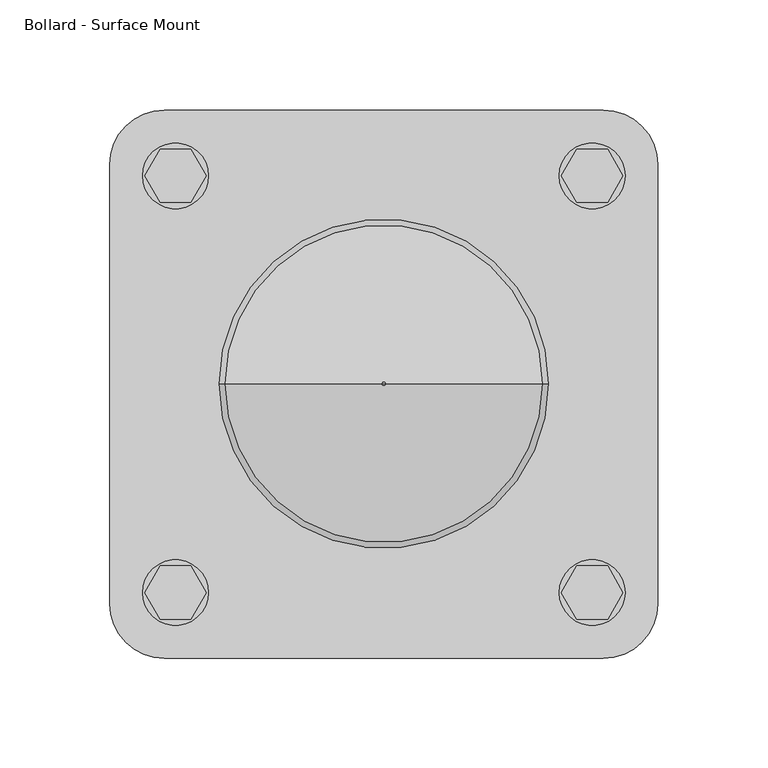
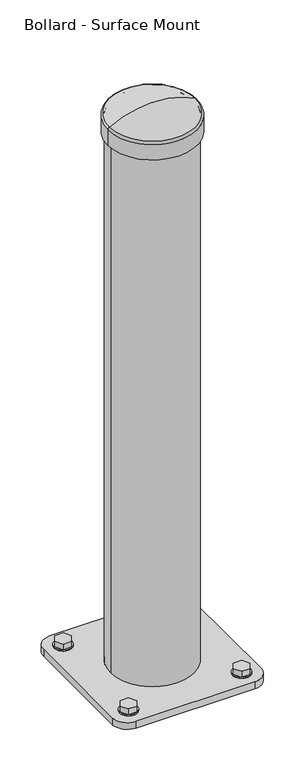
"""IFC4 building model written with IfcOpenShell, lengths in millimetres: proxy geometry, Bollard - Surface Mount."""

import ifcopenshell
import ifcopenshell.guid

model = None  # the IFC model being written
_history = None  # IfcOwnerHistory: only IFC2X3 demands one
_inside = {}  # id of a spatial element -> (the spatial element, [elements in it])
_under = {}  # id of a project, library or spatial element -> (it, [spatial elements below it])
_declared = {}  # id of a project -> (the project, [libraries it declares])
_typed = {}  # id of a type object -> (the type object, [elements of that type])
_made_of = {}  # id of a material, layer set ... -> (it, [elements and type objects made of it])


def new_model(schema):
    """Start an empty IFC model of exactly this schema.

    Asked for "IFC4X3", IfcOpenShell would pick the latest addendum, in which some entities
    have other attributes; the version numbers below select the first issue.
    IFC2X3 requires an IfcOwnerHistory on every rooted entity: one is made here for all.
    """
    global model, _history
    if schema == "IFC4X3":
        model = ifcopenshell.file(schema_version=(4, 3, 0, 0))
    else:
        model = ifcopenshell.file(schema=schema)
    _inside.clear()
    _under.clear()
    _declared.clear()
    _typed.clear()
    _made_of.clear()
    _history = None
    if model.schema == "IFC2X3":
        org = make("IfcOrganization", Name="unknown")
        user = make(
            "IfcPersonAndOrganization",
            ThePerson=make("IfcPerson", FamilyName="unknown"),
            TheOrganization=org,
        )
        app = make(
            "IfcApplication",
            ApplicationDeveloper=org,
            Version="unknown",
            ApplicationFullName="unknown",
            ApplicationIdentifier="unknown",
        )
        _history = make(
            "IfcOwnerHistory",
            OwningUser=user,
            OwningApplication=app,
            ChangeAction="ADDED",
            CreationDate=0,
        )
    return model


def make(cls, **values):
    """One entity of the class cls with the attributes given. An attribute that is None is left unset."""
    return model.create_entity(
        cls, **{name: value for name, value in values.items() if value is not None}
    )


def rooted(cls, **values):
    """An entity with a GlobalId (a new one), such as an element, a storey or a relation."""
    return make(cls, GlobalId=ifcopenshell.guid.new(), OwnerHistory=_history, **values)


def si_unit(unit_type, name, prefix=None):
    """IfcSIUnit, for example si_unit("LENGTHUNIT", "METRE", prefix="MILLI")."""
    return make("IfcSIUnit", UnitType=unit_type, Prefix=prefix, Name=name)


def assignment(units):
    """IfcUnitAssignment: the units of a project."""
    return None if units is None else make("IfcUnitAssignment", Units=units)


def point(xyz):
    """IfcCartesianPoint."""
    return None if xyz is None else make("IfcCartesianPoint", Coordinates=xyz)


def direction(xyz):
    """IfcDirection."""
    return None if xyz is None else make("IfcDirection", DirectionRatios=xyz)


def frame(location, z_axis=None, x_axis=None):
    """IfcAxis2Placement3D, a coordinate frame: its origin and axes. An axis left out is left unset."""
    return make(
        "IfcAxis2Placement3D",
        Location=point(location),
        Axis=direction(z_axis),
        RefDirection=direction(x_axis),
    )


def frame_2d(location, x_axis=None):
    """IfcAxis2Placement2D, a coordinate frame in the plane: its origin and x axis."""
    return make(
        "IfcAxis2Placement2D", Location=point(location), RefDirection=direction(x_axis)
    )


def origin():
    """The frame at (0, 0, 0) with its axes left unset."""
    return frame((0.0, 0.0, 0.0))


def origin_with_axes():
    """The frame at (0, 0, 0) with the z axis (0, 0, 1) and the x axis (1, 0, 0) written out."""
    return frame((0.0, 0.0, 0.0), z_axis=(0.0, 0.0, 1.0), x_axis=(1.0, 0.0, 0.0))


def origin_2d():
    """The frame at (0, 0) in the plane with its x axis left unset."""
    return frame_2d((0.0, 0.0))


def place(relative_to, where):
    """IfcLocalPlacement: puts the frame where relative to a parent placement (None: the world)."""
    return make(
        "IfcLocalPlacement", PlacementRelTo=relative_to, RelativePlacement=where
    )


def context(
    kind, dimensions, precision=None, world=None, true_north=None, identifier=None
):
    """IfcGeometricRepresentationContext, for example the 3D "Model" context."""
    return make(
        "IfcGeometricRepresentationContext",
        ContextIdentifier=identifier,
        ContextType=kind,
        CoordinateSpaceDimension=dimensions,
        Precision=precision,
        WorldCoordinateSystem=world,
        TrueNorth=true_north,
    )


def project(units=None, contexts=None):
    """IfcProject with its units and contexts."""
    return rooted(
        "IfcProject",
        Name="project",
        RepresentationContexts=contexts,
        UnitsInContext=assignment(units),
    )


def spatial(cls, under=None, at=None, **own):
    """A site, building, storey or space (cls), placed at a placement, below another one or the project."""
    s = rooted(cls, ObjectPlacement=at, **own)
    if under is not None:
        _under.setdefault(under.id(), (under, []))[1].append(s)
    return s


def polyline(points):
    """IfcPolyline through the points."""
    return make("IfcPolyline", Points=[point(p) for p in points])


def circle_curve(where, radius):
    """IfcCircle in the frame where."""
    return make("IfcCircle", Position=where, Radius=radius)


def ellipse_curve(where, semi_axis1, semi_axis2):
    """IfcEllipse in the frame where."""
    return make(
        "IfcEllipse", Position=where, SemiAxis1=semi_axis1, SemiAxis2=semi_axis2
    )


def trimmed(basis, trim1, trim2, sense, master):
    """IfcTrimmedCurve: the piece of a basis curve between two trims."""
    return make(
        "IfcTrimmedCurve",
        BasisCurve=basis,
        Trim1=trim1,
        Trim2=trim2,
        SenseAgreement=sense,
        MasterRepresentation=master,
    )


def segment(curve, same_sense, transition):
    """IfcCompositeCurveSegment."""
    return make(
        "IfcCompositeCurveSegment",
        Transition=transition,
        SameSense=same_sense,
        ParentCurve=curve,
    )


def composite_curve(segments, self_intersect=None):
    """IfcCompositeCurve: segments joined end to end."""
    return make("IfcCompositeCurve", Segments=segments, SelfIntersect=self_intersect)


def outline(outer, holes=None, kind="AREA"):
    """IfcArbitraryClosedProfileDef: a profile drawn as a closed curve; with holes, ...WithVoids."""
    if holes is None:
        return make("IfcArbitraryClosedProfileDef", ProfileType=kind, OuterCurve=outer)
    return make(
        "IfcArbitraryProfileDefWithVoids",
        ProfileType=kind,
        OuterCurve=outer,
        InnerCurves=holes,
    )


def extrude(swept, where, along, depth):
    """IfcExtrudedAreaSolid: the profile swept, set in the frame where, extruded along a direction by depth."""
    return make(
        "IfcExtrudedAreaSolid",
        SweptArea=swept,
        Position=where,
        ExtrudedDirection=direction(along),
        Depth=depth,
    )


def shape(context_of_items, identifier, shape_type, items):
    """IfcShapeRepresentation: the items that make up one representation, for example the "Body"."""
    return make(
        "IfcShapeRepresentation",
        ContextOfItems=context_of_items,
        RepresentationIdentifier=identifier,
        RepresentationType=shape_type,
        Items=items,
    )


def source(mapping_origin, context_of_items, identifier, shape_type, items):
    """IfcRepresentationMap: a shape defined once, which mapped items show again and again."""
    return make(
        "IfcRepresentationMap",
        MappingOrigin=mapping_origin,
        MappedRepresentation=shape(context_of_items, identifier, shape_type, items),
    )


def transform(
    local_origin,
    x_axis=None,
    y_axis=None,
    z_axis=None,
    scale=None,
    scale2=None,
    scale3=None,
    uniform=True,
):
    """IfcCartesianTransformationOperator3D, or its non-uniform kind. x_axis, y_axis, z_axis: its Axis1, 2, 3."""
    if uniform:
        return make(
            "IfcCartesianTransformationOperator3D",
            Axis1=direction(x_axis),
            Axis2=direction(y_axis),
            LocalOrigin=point(local_origin),
            Scale=scale,
            Axis3=direction(z_axis),
        )
    return make(
        "IfcCartesianTransformationOperator3DnonUniform",
        Axis1=direction(x_axis),
        Axis2=direction(y_axis),
        LocalOrigin=point(local_origin),
        Scale=scale,
        Axis3=direction(z_axis),
        Scale2=scale2,
        Scale3=scale3,
    )


def mapped(mapping_source, mapping_target):
    """IfcMappedItem: shows the shape of a source again, moved by a transform."""
    return make(
        "IfcMappedItem", MappingSource=mapping_source, MappingTarget=mapping_target
    )


def made_of(thing, what):
    """Note that an element or type object is made of a material, layer set ...; save() writes the relation."""
    if what is not None:
        _made_of.setdefault(what.id(), (what, []))[1].append(thing)
    return thing


def element(
    cls,
    number,
    at=None,
    inside=None,
    cuts=None,
    type_object=None,
    material=None,
    context=None,
    identifier="Body",
    shape_type=None,
    held_by="IfcProductDefinitionShape",
    body=None,
    shapes=None,
    **own,
):
    """One element of the class cls, such as IfcWall. Its Tag is "e" and its number.

    at: its placement. inside: the storey or other place that contains it. cuts: it is an
    opening in that element (IfcRelVoidsElement). A single representation is given by context,
    identifier, shape_type and body (its items); several are given by shapes. held_by: the class
    of the entity that holds the representations. save() writes the other relations.
    """
    e = rooted(cls, Tag="e%d" % number, ObjectPlacement=at, **own)
    if body is not None:
        shapes = [shape(context, identifier, shape_type, body)]
    if shapes is not None:
        e.Representation = make(held_by, Representations=shapes)
    if inside is not None:
        _inside.setdefault(inside.id(), (inside, []))[1].append(e)
    if cuts is not None:
        rooted(
            "IfcRelVoidsElement", RelatingBuildingElement=cuts, RelatedOpeningElement=e
        )
    if type_object is not None:
        _typed.setdefault(type_object.id(), (type_object, []))[1].append(e)
    return made_of(e, material)


def aggregate(whole, parts):
    """IfcRelAggregates: a whole, such as a stair, and the parts it consists of."""
    return rooted("IfcRelAggregates", RelatingObject=whole, RelatedObjects=parts)


def save(model, path):
    """Write the relations noted so far, then the file.

    IfcRelAggregates (storeys below a building ...), IfcRelContainedInSpatialStructure (elements
    in a storey), IfcRelDefinesByType, IfcRelAssociatesMaterial and IfcRelDeclares: one each for
    every whole, place, type object, material and project.
    """
    for whole, parts in _under.values():
        aggregate(whole, parts)
    for where, things in _inside.values():
        rooted(
            "IfcRelContainedInSpatialStructure",
            RelatedElements=things,
            RelatingStructure=where,
        )
    for kind, things in _typed.values():
        rooted("IfcRelDefinesByType", RelatedObjects=things, RelatingType=kind)
    for what, things in _made_of.values():
        rooted("IfcRelAssociatesMaterial", RelatedObjects=things, RelatingMaterial=what)
    for by, libraries in _declared.values():
        rooted("IfcRelDeclares", RelatingContext=by, RelatedDefinitions=libraries)
    model.write(path)


def plane_surface(at):
    """IfcPlane: the flat surface through the origin of the frame at, square to its z axis."""
    return make("IfcPlane", Position=at)


def cylinder_surface(at, radius):
    """IfcCylindricalSurface: all points at the distance radius from the z axis of the frame at."""
    return make("IfcCylindricalSurface", Position=at, Radius=radius)


def revolved_surface(curve, axis_point, axis_direction):
    """IfcSurfaceOfRevolution: the curve turned about the line through axis_point along axis_direction."""
    return make(
        "IfcSurfaceOfRevolution",
        SweptCurve=make("IfcArbitraryOpenProfileDef", ProfileType="CURVE", Curve=curve),
        AxisPosition=make("IfcAxis1Placement", Location=point(axis_point), Axis=direction(axis_direction)),
    )


def advanced_brep(points, edges, surfaces, faces):
    """IfcAdvancedBrep: a solid bounded by faces that lie on surfaces and meet in shared edges.

    An edge is (start, end): straight between two places in points (the first is 0);
    or (start, end, curve); or (start, end, curve, False) where it runs against its curve.
    A face is (place in surfaces, loops), or (place, loops, False) where it looks against
    its surface's normal. A loop lists edges by number (the first is 1), with a minus sign
    where the edge is run from its end to its start. The first loop is the outer one.
    """
    corners = [point(p) for p in points]
    vertices = [make("IfcVertexPoint", VertexGeometry=c) for c in corners]
    made = []
    for start, end, *more in edges:
        made.append(
            make(
                "IfcEdgeCurve",
                EdgeStart=vertices[start],
                EdgeEnd=vertices[end],
                EdgeGeometry=more[0] if more else make("IfcPolyline", Points=[corners[start], corners[end]]),
                SameSense=more[1] if len(more) > 1 else True,
            )
        )
    hull = []
    for where, loops, *sense in faces:
        bounds = []
        for j, loop in enumerate(loops):
            ring = [make("IfcOrientedEdge", EdgeElement=made[abs(k) - 1], Orientation=k > 0) for k in loop]
            bounds.append(
                make(
                    "IfcFaceOuterBound" if j == 0 else "IfcFaceBound",
                    Bound=make("IfcEdgeLoop", EdgeList=ring),
                    Orientation=True,
                )
            )
        hull.append(make("IfcAdvancedFace", Bounds=bounds, FaceSurface=surfaces[where], SameSense=sense[0] if sense else True))
    return make("IfcAdvancedBrep", Outer=make("IfcClosedShell", CfsFaces=hull))


def bollard_surface_mount_4a7b3c5d(model_context):
    return source(origin(), model_context, "Body", "SolidModel", [
        advanced_brep(
        [(102.0, -82.8756443, 24.0), (88.0, -82.8756443, 24.0), (81.0, -95.0, 24.0), (88.0, -107.1243557, 24.0), (102.0, -107.1243557, 24.0), (109.0, -95.0, 24.0), (102.0, -82.8756443, 14.0), (109.0, -95.0, 14.0), (102.0, -107.1243557, 14.0), (88.0, -107.1243557, 14.0), (81.0, -95.0, 14.0), (88.0, -82.8756443, 14.0), (85.0, -95.0, 14.0), (105.0, -95.0, 14.0), (85.0, -95.0, 0.0), (105.0, -95.0, 0.0)],
        [
            (0, 1),
            (1, 2),
            (2, 3),
            (3, 4),
            (4, 5),
            (5, 0),
            (6, 7),
            (7, 8),
            (8, 9),
            (9, 10),
            (10, 11),
            (11, 6),
            (12, 13, circle_curve(frame((95.0, -95.0, 14.0), z_axis=(0.0, 0.0, 1.0), x_axis=(1.0, 0.0, 0.0)), 10.0)),
            (13, 12, circle_curve(frame((95.0, -95.0, 14.0), z_axis=(0.0, 0.0, 1.0), x_axis=(1.0, 0.0, 0.0)), 10.0)),
            (0, 6),
            (11, 1),
            (10, 2),
            (9, 3),
            (8, 4),
            (7, 5),
            (14, 15, circle_curve(frame((95.0, -95.0, 0.0), z_axis=(0.0, 0.0, -1.0), x_axis=(1.0, 0.0, 0.0)), 10.0)),
            (15, 14, circle_curve(frame((95.0, -95.0, 0.0), z_axis=(0.0, 0.0, -1.0), x_axis=(1.0, 0.0, 0.0)), 10.0)),
            (15, 13),
            (12, 14),
        ],
        [
            plane_surface(frame((102.0, -82.8756443, 24.0), z_axis=(0.0, 0.0, 1.0), x_axis=(-1.0, 0.0, 0.0))),
            plane_surface(frame((102.0, -82.8756443, 14.0), z_axis=(0.0, 0.0, -1.0), x_axis=(1.0, 0.0, 0.0))),
            plane_surface(frame((102.0, -82.8756443, 24.0), z_axis=(0.0, 1.0, 0.0), x_axis=(0.0, 0.0, -1.0))),
            plane_surface(frame((88.0, -82.8756443, 24.0), z_axis=(-0.8660254037844334, 0.5000000000000092, 0.0), x_axis=(0.0, 0.0, -1.0))),
            plane_surface(frame((81.0, -95.0, 24.0), z_axis=(-0.8660254037844447, -0.4999999999999897, 0.0), x_axis=(0.0, 0.0, -1.0))),
            plane_surface(frame((88.0, -107.1243557, 24.0), z_axis=(0.0, -1.0, 0.0), x_axis=(0.0, 0.0, -1.0))),
            plane_surface(frame((102.0, -107.1243557, 24.0), z_axis=(0.8660254037844315, -0.5000000000000124, 0.0), x_axis=(0.0, 0.0, -1.0))),
            plane_surface(frame((109.0, -95.0, 24.0), z_axis=(0.8660254037844434, 0.49999999999999184, 0.0), x_axis=(0.0, 0.0, -1.0))),
            plane_surface(frame((105.0, -95.0, 0.0), z_axis=(0.0, 0.0, -1.0), x_axis=(0.0, -1.0, 0.0))),
            cylinder_surface(frame((95.0, -95.0, 0.0), z_axis=(0.0, 0.0, 1.0), x_axis=(1.0, 0.0, 0.0)), 10.0),
        ],
        [
            (0, [[1, 2, 3, 4, 5, 6]]),
            (1, [[7, 8, 9, 10, 11, 12], [13, 14]]),
            (2, [[-1, 15, -12, 16]]),
            (3, [[-2, -16, -11, 17]]),
            (4, [[-3, -17, -10, 18]]),
            (5, [[-4, -18, -9, 19]]),
            (6, [[-5, -19, -8, 20]]),
            (7, [[-6, -20, -7, -15]]),
            (8, [[21, 22]]),
            (9, [[-22, 23, -13, 24]]),
            (9, [[-21, -24, -14, -23]]),
        ],
    ),
        extrude(outline(composite_curve([segment(trimmed(circle_curve(frame_2d((95.0, -95.0)), 15.0), [point((80.0, -95.0))], [point((110.0, -95.0))], False, "CARTESIAN"), True, "CONTINUOUS"), segment(trimmed(circle_curve(frame_2d((95.0, -95.0)), 15.0), [point((110.0, -95.0))], [point((80.0, -95.0))], False, "CARTESIAN"), True, "CONTINUOUS")], self_intersect=False)), frame((0.0, 0.0, 12.0), z_axis=(0.0, 0.0, 1.0), x_axis=(1.0, 0.0, 0.0)), (0.0, 0.0, 1.0), 2.0),
        advanced_brep(
        [(102.0, 107.1243557, 24.0), (88.0, 107.1243557, 24.0), (81.0, 95.0, 24.0), (88.0, 82.8756443, 24.0), (102.0, 82.8756443, 24.0), (109.0, 95.0, 24.0), (85.0, 95.0, 0.0), (105.0, 95.0, 0.0), (105.0, 95.0, 14.0), (85.0, 95.0, 14.0), (102.0, 107.1243557, 14.0), (109.0, 95.0, 14.0), (102.0, 82.8756443, 14.0), (88.0, 82.8756443, 14.0), (81.0, 95.0, 14.0), (88.0, 107.1243557, 14.0)],
        [
            (0, 1),
            (1, 2),
            (2, 3),
            (3, 4),
            (4, 5),
            (5, 0),
            (6, 7, circle_curve(frame((95.0, 95.0, 0.0), z_axis=(0.0, 0.0, -1.0), x_axis=(1.0, 0.0, 0.0)), 10.0)),
            (7, 6, circle_curve(frame((95.0, 95.0, 0.0), z_axis=(0.0, 0.0, -1.0), x_axis=(1.0, 0.0, 0.0)), 10.0)),
            (7, 8),
            (8, 9, circle_curve(frame((95.0, 95.0, 14.0), z_axis=(0.0, 0.0, -1.0), x_axis=(1.0, 0.0, 0.0)), 10.0)),
            (9, 6),
            (9, 8, circle_curve(frame((95.0, 95.0, 14.0), z_axis=(0.0, 0.0, -1.0), x_axis=(1.0, 0.0, 0.0)), 10.0)),
            (10, 11),
            (11, 12),
            (12, 13),
            (13, 14),
            (14, 15),
            (15, 10),
            (0, 10),
            (15, 1),
            (14, 2),
            (13, 3),
            (12, 4),
            (11, 5),
        ],
        [
            plane_surface(frame((105.0, 95.0, 24.0), z_axis=(0.0, 0.0, 1.0), x_axis=(0.0, 1.0, 0.0))),
            plane_surface(frame((105.0, 95.0, 0.0), z_axis=(0.0, 0.0, -1.0), x_axis=(0.0, -1.0, 0.0))),
            cylinder_surface(frame((95.0, 95.0, 0.0), z_axis=(0.0, 0.0, 1.0), x_axis=(1.0, 0.0, 0.0)), 10.0),
            plane_surface(frame((102.0, 107.1243557, 14.0), z_axis=(0.0, 0.0, -1.0), x_axis=(1.0, 0.0, 0.0))),
            plane_surface(frame((102.0, 107.1243557, 24.0), z_axis=(0.0, 1.0, 0.0), x_axis=(0.0, 0.0, -1.0))),
            plane_surface(frame((88.0, 107.1243557, 24.0), z_axis=(-0.8660254037844327, 0.5000000000000103, 0.0), x_axis=(0.0, 0.0, -1.0))),
            plane_surface(frame((81.0, 95.0, 24.0), z_axis=(-0.8660254037844455, -0.49999999999998823, 0.0), x_axis=(0.0, 0.0, -1.0))),
            plane_surface(frame((88.0, 82.8756443, 24.0), z_axis=(0.0, -1.0, 0.0), x_axis=(0.0, 0.0, -1.0))),
            plane_surface(frame((102.0, 82.8756443, 24.0), z_axis=(0.8660254037844313, -0.5000000000000129, 0.0), x_axis=(0.0, 0.0, -1.0))),
            plane_surface(frame((109.0, 95.0, 24.0), z_axis=(0.8660254037844439, 0.49999999999999095, 0.0), x_axis=(0.0, 0.0, -1.0))),
        ],
        [
            (0, [[1, 2, 3, 4, 5, 6]]),
            (1, [[7, 8]]),
            (2, [[-8, 9, 10, 11]]),
            (2, [[-7, -11, 12, -9]]),
            (3, [[13, 14, 15, 16, 17, 18], [-10, -12]]),
            (4, [[-1, 19, -18, 20]]),
            (5, [[-2, -20, -17, 21]]),
            (6, [[-3, -21, -16, 22]]),
            (7, [[-4, -22, -15, 23]]),
            (8, [[-5, -23, -14, 24]]),
            (9, [[-6, -24, -13, -19]]),
        ],
    ),
        extrude(outline(composite_curve([segment(trimmed(circle_curve(frame_2d((95.0, 95.0)), 15.0), [point((80.0, 95.0))], [point((110.0, 95.0))], False, "CARTESIAN"), True, "CONTINUOUS"), segment(trimmed(circle_curve(frame_2d((95.0, 95.0)), 15.0), [point((110.0, 95.0))], [point((80.0, 95.0))], False, "CARTESIAN"), True, "CONTINUOUS")], self_intersect=False)), frame((0.0, 0.0, 12.0), z_axis=(0.0, 0.0, 1.0), x_axis=(1.0, 0.0, 0.0)), (0.0, 0.0, 1.0), 2.0),
        advanced_brep(
        [(-88.0, -82.8756443, 24.0), (-102.0, -82.8756443, 24.0), (-109.0, -95.0, 24.0), (-102.0, -107.1243557, 24.0), (-88.0, -107.1243557, 24.0), (-81.0, -95.0, 24.0), (-88.0, -82.8756443, 14.0), (-81.0, -95.0, 14.0), (-88.0, -107.1243557, 14.0), (-102.0, -107.1243557, 14.0), (-109.0, -95.0, 14.0), (-102.0, -82.8756443, 14.0), (-105.0, -95.0, 14.0), (-85.0, -95.0, 14.0), (-105.0, -95.0, 0.0), (-85.0, -95.0, 0.0)],
        [
            (0, 1),
            (1, 2),
            (2, 3),
            (3, 4),
            (4, 5),
            (5, 0),
            (6, 7),
            (7, 8),
            (8, 9),
            (9, 10),
            (10, 11),
            (11, 6),
            (12, 13, circle_curve(frame((-95.0, -95.0, 14.0), z_axis=(0.0, 0.0, 1.0), x_axis=(1.0, 0.0, 0.0)), 10.0)),
            (13, 12, circle_curve(frame((-95.0, -95.0, 14.0), z_axis=(0.0, 0.0, 1.0), x_axis=(1.0, 0.0, 0.0)), 10.0)),
            (0, 6),
            (11, 1),
            (10, 2),
            (9, 3),
            (8, 4),
            (7, 5),
            (14, 15, circle_curve(frame((-95.0, -95.0, 0.0), z_axis=(0.0, 0.0, -1.0), x_axis=(1.0, 0.0, 0.0)), 10.0)),
            (15, 14, circle_curve(frame((-95.0, -95.0, 0.0), z_axis=(0.0, 0.0, -1.0), x_axis=(1.0, 0.0, 0.0)), 10.0)),
            (15, 13),
            (12, 14),
        ],
        [
            plane_surface(frame((-88.0, -82.8756443, 24.0), z_axis=(0.0, 0.0, 1.0), x_axis=(-1.0, 0.0, 0.0))),
            plane_surface(frame((-88.0, -82.8756443, 14.0), z_axis=(0.0, 0.0, -1.0), x_axis=(1.0, 0.0, 0.0))),
            plane_surface(frame((-88.0, -82.8756443, 24.0), z_axis=(0.0, 1.0, 0.0), x_axis=(0.0, 0.0, -1.0))),
            plane_surface(frame((-102.0, -82.8756443, 24.0), z_axis=(-0.8660254037844334, 0.5000000000000092, 0.0), x_axis=(0.0, 0.0, -1.0))),
            plane_surface(frame((-109.0, -95.0, 24.0), z_axis=(-0.8660254037844447, -0.4999999999999897, 0.0), x_axis=(0.0, 0.0, -1.0))),
            plane_surface(frame((-102.0, -107.1243557, 24.0), z_axis=(0.0, -1.0, 0.0), x_axis=(0.0, 0.0, -1.0))),
            plane_surface(frame((-88.0, -107.1243557, 24.0), z_axis=(0.8660254037844315, -0.5000000000000124, 0.0), x_axis=(0.0, 0.0, -1.0))),
            plane_surface(frame((-81.0, -95.0, 24.0), z_axis=(0.8660254037844437, 0.49999999999999134, 0.0), x_axis=(0.0, 0.0, -1.0))),
            plane_surface(frame((-85.0, -95.0, 0.0), z_axis=(0.0, 0.0, -1.0), x_axis=(0.0, -1.0, 0.0))),
            cylinder_surface(frame((-95.0, -95.0, 0.0), z_axis=(0.0, 0.0, 1.0), x_axis=(1.0, 0.0, 0.0)), 10.0),
        ],
        [
            (0, [[1, 2, 3, 4, 5, 6]]),
            (1, [[7, 8, 9, 10, 11, 12], [13, 14]]),
            (2, [[-1, 15, -12, 16]]),
            (3, [[-2, -16, -11, 17]]),
            (4, [[-3, -17, -10, 18]]),
            (5, [[-4, -18, -9, 19]]),
            (6, [[-5, -19, -8, 20]]),
            (7, [[-6, -20, -7, -15]]),
            (8, [[21, 22]]),
            (9, [[-22, 23, -13, 24]]),
            (9, [[-21, -24, -14, -23]]),
        ],
    ),
        extrude(outline(composite_curve([segment(trimmed(circle_curve(frame_2d((-95.0, -95.0)), 15.0), [point((-110.0, -95.0))], [point((-80.0, -95.0))], False, "CARTESIAN"), True, "CONTINUOUS"), segment(trimmed(circle_curve(frame_2d((-95.0, -95.0)), 15.0), [point((-80.0, -95.0))], [point((-110.0, -95.0))], False, "CARTESIAN"), True, "CONTINUOUS")], self_intersect=False)), frame((0.0, 0.0, 12.0), z_axis=(0.0, 0.0, 1.0), x_axis=(1.0, 0.0, 0.0)), (0.0, 0.0, 1.0), 2.0),
        advanced_brep(
        [(-88.0, 107.1243557, 24.0), (-102.0, 107.1243557, 24.0), (-109.0, 95.0, 24.0), (-102.0, 82.8756443, 24.0), (-88.0, 82.8756443, 24.0), (-81.0, 95.0, 24.0), (-88.0, 107.1243557, 14.0), (-81.0, 95.0, 14.0), (-88.0, 82.8756443, 14.0), (-102.0, 82.8756443, 14.0), (-109.0, 95.0, 14.0), (-102.0, 107.1243557, 14.0), (-105.0, 95.0, 14.0), (-85.0, 95.0, 14.0), (-105.0, 95.0, 0.0), (-85.0, 95.0, 0.0)],
        [
            (0, 1),
            (1, 2),
            (2, 3),
            (3, 4),
            (4, 5),
            (5, 0),
            (6, 7),
            (7, 8),
            (8, 9),
            (9, 10),
            (10, 11),
            (11, 6),
            (12, 13, circle_curve(frame((-95.0, 95.0, 14.0), z_axis=(0.0, 0.0, 1.0), x_axis=(1.0, 0.0, 0.0)), 10.0)),
            (13, 12, circle_curve(frame((-95.0, 95.0, 14.0), z_axis=(0.0, 0.0, 1.0), x_axis=(1.0, 0.0, 0.0)), 10.0)),
            (0, 6),
            (11, 1),
            (10, 2),
            (9, 3),
            (8, 4),
            (7, 5),
            (14, 15, circle_curve(frame((-95.0, 95.0, 0.0), z_axis=(0.0, 0.0, -1.0), x_axis=(1.0, 0.0, 0.0)), 10.0)),
            (15, 14, circle_curve(frame((-95.0, 95.0, 0.0), z_axis=(0.0, 0.0, -1.0), x_axis=(1.0, 0.0, 0.0)), 10.0)),
            (15, 13),
            (12, 14),
        ],
        [
            plane_surface(frame((-88.0, 107.1243557, 24.0), z_axis=(0.0, 0.0, 1.0), x_axis=(-1.0, 0.0, 0.0))),
            plane_surface(frame((-88.0, 107.1243557, 14.0), z_axis=(0.0, 0.0, -1.0), x_axis=(1.0, 0.0, 0.0))),
            plane_surface(frame((-88.0, 107.1243557, 24.0), z_axis=(0.0, 1.0, 0.0), x_axis=(0.0, 0.0, -1.0))),
            plane_surface(frame((-102.0, 107.1243557, 24.0), z_axis=(-0.8660254037844297, 0.5000000000000154, 0.0), x_axis=(0.0, 0.0, -1.0))),
            plane_surface(frame((-109.0, 95.0, 24.0), z_axis=(-0.8660254037844455, -0.49999999999998823, 0.0), x_axis=(0.0, 0.0, -1.0))),
            plane_surface(frame((-102.0, 82.8756443, 24.0), z_axis=(0.0, -1.0, 0.0), x_axis=(0.0, 0.0, -1.0))),
            plane_surface(frame((-88.0, 82.8756443, 24.0), z_axis=(0.8660254037844288, -0.5000000000000172, 0.0), x_axis=(0.0, 0.0, -1.0))),
            plane_surface(frame((-81.0, 95.0, 24.0), z_axis=(0.8660254037844439, 0.49999999999999106, 0.0), x_axis=(0.0, 0.0, -1.0))),
            plane_surface(frame((-85.0, 95.0, 0.0), z_axis=(0.0, 0.0, -1.0), x_axis=(0.0, -1.0, 0.0))),
            cylinder_surface(frame((-95.0, 95.0, 0.0), z_axis=(0.0, 0.0, 1.0), x_axis=(1.0, 0.0, 0.0)), 10.0),
        ],
        [
            (0, [[1, 2, 3, 4, 5, 6]]),
            (1, [[7, 8, 9, 10, 11, 12], [13, 14]]),
            (2, [[-1, 15, -12, 16]]),
            (3, [[-2, -16, -11, 17]]),
            (4, [[-3, -17, -10, 18]]),
            (5, [[-4, -18, -9, 19]]),
            (6, [[-5, -19, -8, 20]]),
            (7, [[-6, -20, -7, -15]]),
            (8, [[21, 22]]),
            (9, [[-22, 23, -13, 24]]),
            (9, [[-21, -24, -14, -23]]),
        ],
    ),
        extrude(outline(composite_curve([segment(trimmed(circle_curve(frame_2d((-95.0, 95.0)), 15.0), [point((-110.0, 95.0))], [point((-80.0, 95.0))], False, "CARTESIAN"), True, "CONTINUOUS"), segment(trimmed(circle_curve(frame_2d((-95.0, 95.0)), 15.0), [point((-80.0, 95.0))], [point((-110.0, 95.0))], False, "CARTESIAN"), True, "CONTINUOUS")], self_intersect=False)), frame((0.0, 0.0, 12.0), z_axis=(0.0, 0.0, 1.0), x_axis=(1.0, 0.0, 0.0)), (0.0, 0.0, 1.0), 2.0),
        advanced_brep(
        [(-75.0, 0.0, 977.0937961), (75.0, 0.0, 977.0937961), (75.0, 0.0, 950.0), (-75.0, 0.0, 950.0), (-70.0, 0.0, 955.0), (70.0, 0.0, 955.0), (70.0, 0.0, 976.5043492), (-70.0, 0.0, 976.5043492), (-66.0, 0.0, 955.0), (66.0, 0.0, 955.0), (-66.0, 0.0, 950.0), (66.0, 0.0, 950.0), (-72.4305289, 0.0, 981.4632959), (72.4305289, 0.0, 981.4632959), (-0.9729779, 0.0, 1000.0), (0.9729779, 0.0, 1000.0), (0.0, 0.0, 1000.0), (-0.9729779, 0.0, 995.0), (0.9729779, 0.0, 995.0), (0.0, 0.0, 995.0), (-69.4824611, 0.0, 977.3802665), (69.4824611, 0.0, 977.3802665)],
        [
            (0, 1, circle_curve(frame((0.0, 0.0, 977.0937961), z_axis=(0.0, 0.0, -1.0), x_axis=(1.0, 0.0, 0.0)), 75.0)),
            (1, 2),
            (2, 3, circle_curve(frame((0.0, 0.0, 950.0), z_axis=(0.0, 0.0, 1.0), x_axis=(1.0, 0.0, 0.0)), 75.0)),
            (3, 0),
            (1, 0, circle_curve(frame((0.0, 0.0, 977.0937961), z_axis=(0.0, 0.0, -1.0), x_axis=(1.0, 0.0, 0.0)), 75.0)),
            (3, 2, circle_curve(frame((0.0, 0.0, 950.0), z_axis=(0.0, 0.0, 1.0), x_axis=(1.0, 0.0, 0.0)), 75.0)),
            (4, 5, circle_curve(frame((0.0, 0.0, 955.0), z_axis=(0.0, 0.0, -1.0), x_axis=(1.0, 0.0, 0.0)), 70.0)),
            (5, 6),
            (6, 7, circle_curve(frame((0.0, 0.0, 976.5043492), z_axis=(0.0, 0.0, 1.0), x_axis=(1.0, 0.0, 0.0)), 70.0)),
            (7, 4),
            (5, 4, circle_curve(frame((0.0, 0.0, 955.0), z_axis=(0.0, 0.0, -1.0), x_axis=(1.0, 0.0, 0.0)), 70.0)),
            (7, 6, circle_curve(frame((0.0, 0.0, 976.5043492), z_axis=(0.0, 0.0, 1.0), x_axis=(1.0, 0.0, 0.0)), 70.0)),
            (8, 9, circle_curve(frame((0.0, 0.0, 955.0), z_axis=(0.0, 0.0, -1.0), x_axis=(1.0, 0.0, 0.0)), 66.0)),
            (9, 5),
            (4, 8),
            (9, 8, circle_curve(frame((0.0, 0.0, 955.0), z_axis=(0.0, 0.0, -1.0), x_axis=(1.0, 0.0, 0.0)), 66.0)),
            (10, 11, circle_curve(frame((0.0, 0.0, 950.0), z_axis=(0.0, 0.0, -1.0), x_axis=(1.0, 0.0, 0.0)), 66.0)),
            (11, 9),
            (8, 10),
            (11, 10, circle_curve(frame((0.0, 0.0, 950.0), z_axis=(0.0, 0.0, -1.0), x_axis=(1.0, 0.0, 0.0)), 66.0)),
            (12, 13, circle_curve(frame((0.0, 0.0, 981.4632959), z_axis=(0.0, 0.0, -1.0), x_axis=(1.0, 0.0, 0.0)), 72.4305289)),
            (13, 1, circle_curve(frame((70.0, 0.0, 977.0937961), z_axis=(0.0, 1.0, 0.0), x_axis=(1.0, 0.0, 0.0)), 5.0)),
            (0, 12, circle_curve(frame((-70.0, 0.0, 977.0937961), z_axis=(0.0, 1.0, 0.0), x_axis=(-1.0, 0.0, 0.0)), 5.0)),
            (13, 12, circle_curve(frame((0.0, 0.0, 981.4632959), z_axis=(0.0, 0.0, -1.0), x_axis=(1.0, 0.0, 0.0)), 72.4305289)),
            (14, 15, circle_curve(frame((0.0, 0.0, 1000.0), z_axis=(0.0, 0.0, -1.0), x_axis=(1.0, 0.0, 0.0)), 0.9729779)),
            (15, 13, circle_curve(frame((0.9729779, 0.0, 853.0), z_axis=(0.0, 1.0, 0.0), x_axis=(1.0, 0.0, 0.0)), 147.0)),
            (12, 14, circle_curve(frame((-0.9729779, 0.0, 853.0), z_axis=(0.0, 1.0, 0.0), x_axis=(-1.0, 0.0, 0.0)), 147.0)),
            (15, 14, circle_curve(frame((0.0, 0.0, 1000.0), z_axis=(0.0, 0.0, -1.0), x_axis=(1.0, 0.0, 0.0)), 0.9729779)),
            (16, 15),
            (14, 16),
            (17, 18, circle_curve(frame((0.0, 0.0, 995.0), z_axis=(0.0, 0.0, -1.0), x_axis=(1.0, 0.0, 0.0)), 0.9729779)),
            (18, 19),
            (19, 17),
            (18, 17, circle_curve(frame((0.0, 0.0, 995.0), z_axis=(0.0, 0.0, -1.0), x_axis=(1.0, 0.0, 0.0)), 0.9729779)),
            (20, 21, circle_curve(frame((0.0, 0.0, 977.3802665), z_axis=(0.0, 0.0, -1.0), x_axis=(1.0, 0.0, 0.0)), 69.4824611)),
            (21, 18, circle_curve(frame((0.9729779, 0.0, 853.0), z_axis=(0.0, -1.0, 0.0), x_axis=(1.0, 0.0, 0.0)), 142.0)),
            (17, 20, circle_curve(frame((-0.9729779, 0.0, 853.0), z_axis=(0.0, -1.0, 0.0), x_axis=(-1.0, 0.0, 0.0)), 142.0)),
            (21, 20, circle_curve(frame((0.0, 0.0, 977.3802665), z_axis=(0.0, 0.0, -1.0), x_axis=(1.0, 0.0, 0.0)), 69.4824611)),
            (6, 21, circle_curve(frame((69.0, 0.0, 976.5043492), z_axis=(0.0, -1.0, 0.0), x_axis=(1.0, 0.0, 0.0)), 1.0)),
            (20, 7, circle_curve(frame((-69.0, 0.0, 976.5043492), z_axis=(0.0, -1.0, 0.0), x_axis=(-1.0, 0.0, 0.0)), 1.0)),
            (2, 11),
            (10, 3),
        ],
        [
            cylinder_surface(frame((0.0, 0.0, -1000.0), z_axis=(0.0, 0.0, 1.0), x_axis=(1.0, 0.0, 0.0)), 75.0),
            revolved_surface(polyline([(70.0, 0.0, 976.5043492), (70.0, 0.0, 955.0)]), (0.0, 0.0, -1000.0), (0.0, 0.0, 1.0)),
            plane_surface(frame((0.0, 0.0, 955.0), z_axis=(0.0, 0.0, 1.0), x_axis=(1.0, 0.0, 0.0))),
            revolved_surface(polyline([(66.0, 0.0, 955.0), (66.0, 0.0, 950.0)]), (0.0, 0.0, -1000.0), (0.0, 0.0, 1.0)),
            revolved_surface(trimmed(ellipse_curve(frame((70.0, 0.0, 977.0937961), z_axis=(0.0, -1.0, 0.0), x_axis=(1.0, 0.0, 0.0)), 5.0, 5.0), [point((75.0, 0.0, 977.0937961))], [point((72.4305289, 0.0, 981.4632959))], True, "CARTESIAN"), (0.0, 0.0, -1000.0), (0.0, 0.0, 1.0)),
            revolved_surface(trimmed(ellipse_curve(frame((0.9729779, 0.0, 853.0), z_axis=(0.0, -1.0, 0.0), x_axis=(1.0, 0.0, 0.0)), 147.0, 147.0), [point((72.4305289, 0.0, 981.4632959))], [point((0.9729779, 0.0, 1000.0))], True, "CARTESIAN"), (0.0, 0.0, -1000.0), (0.0, 0.0, 1.0)),
            plane_surface(frame((0.0, 0.0, 1000.0), z_axis=(0.0, 0.0, 1.0), x_axis=(1.0, 0.0, 0.0))),
            plane_surface(frame((0.0, 0.0, 995.0), z_axis=(0.0, 0.0, -1.0), x_axis=(1.0, 0.0, 0.0))),
            revolved_surface(trimmed(ellipse_curve(frame((0.9729779, 0.0, 853.0), z_axis=(0.0, 1.0, 0.0), x_axis=(1.0, 0.0, 0.0)), 142.0, 142.0), [point((0.9729779, 0.0, 995.0))], [point((69.4824611, 0.0, 977.3802665))], True, "CARTESIAN"), (0.0, 0.0, -1000.0), (0.0, 0.0, 1.0)),
            revolved_surface(trimmed(ellipse_curve(frame((69.0, 0.0, 976.5043492), z_axis=(0.0, 1.0, 0.0), x_axis=(1.0, 0.0, 0.0)), 1.0, 1.0), [point((69.4824611, 0.0, 977.3802665))], [point((70.0, 0.0, 976.5043492))], True, "CARTESIAN"), (0.0, 0.0, -1000.0), (0.0, 0.0, 1.0)),
            plane_surface(frame((0.0, 0.0, 950.0), z_axis=(0.0, 0.0, -1.0), x_axis=(1.0, 0.0, 0.0))),
        ],
        [
            (0, [[1, 2, 3, 4]]),
            (0, [[5, -4, 6, -2]]),
            (1, [[7, 8, 9, 10]]),
            (1, [[11, -10, 12, -8]]),
            (2, [[13, 14, -7, 15]]),
            (2, [[16, -15, -11, -14]]),
            (3, [[17, 18, -13, 19]]),
            (3, [[20, -19, -16, -18]]),
            (4, [[21, 22, -1, 23]]),
            (4, [[24, -23, -5, -22]]),
            (5, [[25, 26, -21, 27]]),
            (5, [[28, -27, -24, -26]]),
            (6, [[29, -25, 30]]),
            (6, [[-30, -28, -29]]),
            (7, [[31, 32, 33]]),
            (7, [[34, -33, -32]]),
            (8, [[35, 36, -31, 37]]),
            (8, [[38, -37, -34, -36]]),
            (9, [[-9, 39, -35, 40]]),
            (9, [[-12, -40, -38, -39]]),
            (10, [[-3, 41, -17, 42]]),
            (10, [[-6, -42, -20, -41]]),
        ],
    ),
        extrude(outline(composite_curve([segment(trimmed(circle_curve(origin_2d(), 70.0), [point((70.0, 0.0))], [point((-70.0, 0.0))], False, "CARTESIAN"), True, "CONTINUOUS"), segment(trimmed(circle_curve(origin_2d(), 70.0), [point((-70.0, 0.0))], [point((70.0, 0.0))], False, "CARTESIAN"), True, "CONTINUOUS")], self_intersect=False), holes=[composite_curve([segment(trimmed(circle_curve(origin_2d(), 66.0), [point((66.0, 0.0))], [point((-66.0, 0.0))], True, "CARTESIAN"), True, "CONTINUOUS"), segment(trimmed(circle_curve(origin_2d(), 66.0), [point((-66.0, 0.0))], [point((66.0, 0.0))], True, "CARTESIAN"), True, "CONTINUOUS")], self_intersect=False)]), origin_with_axes(), (0.0, 0.0, 1.0), 950.0),
        extrude(outline(composite_curve([segment(trimmed(circle_curve(frame_2d((100.0, 100.0)), 25.0), [point((100.0, 125.0))], [point((125.0, 100.0))], False, "CARTESIAN"), True, "CONTINUOUS"), segment(polyline([(125.0, 100.0), (125.0, -100.0)]), True, "CONTINUOUS"), segment(trimmed(circle_curve(frame_2d((100.0, -100.0)), 25.0), [point((125.0, -100.0))], [point((100.0, -125.0))], False, "CARTESIAN"), True, "CONTINUOUS"), segment(polyline([(100.0, -125.0), (-100.0, -125.0)]), True, "CONTINUOUS"), segment(trimmed(circle_curve(frame_2d((-100.0, -100.0)), 25.0), [point((-100.0, -125.0))], [point((-125.0, -100.0))], False, "CARTESIAN"), True, "CONTINUOUS"), segment(polyline([(-125.0, -100.0), (-125.0, 100.0)]), True, "CONTINUOUS"), segment(trimmed(circle_curve(frame_2d((-100.0, 100.0)), 25.0), [point((-125.0, 100.0))], [point((-100.0, 125.0))], False, "CARTESIAN"), True, "CONTINUOUS"), segment(polyline([(-100.0, 125.0), (100.0, 125.0)]), True, "CONTINUOUS")], self_intersect=False), holes=[composite_curve([segment(trimmed(circle_curve(origin_2d(), 70.0), [point((-70.0, 0.0))], [point((70.0, 0.0))], True, "CARTESIAN"), True, "CONTINUOUS"), segment(trimmed(circle_curve(origin_2d(), 70.0), [point((70.0, 0.0))], [point((-70.0, 0.0))], True, "CARTESIAN"), True, "CONTINUOUS")], self_intersect=False), composite_curve([segment(trimmed(circle_curve(frame_2d((-95.0, 95.0)), 10.0), [point((-105.0, 95.0))], [point((-85.0, 95.0))], True, "CARTESIAN"), True, "CONTINUOUS"), segment(trimmed(circle_curve(frame_2d((-95.0, 95.0)), 10.0), [point((-85.0, 95.0))], [point((-105.0, 95.0))], True, "CARTESIAN"), True, "CONTINUOUS")], self_intersect=False), composite_curve([segment(trimmed(circle_curve(frame_2d((95.0, 95.0)), 10.0), [point((85.0, 95.0))], [point((105.0, 95.0))], True, "CARTESIAN"), True, "CONTINUOUS"), segment(trimmed(circle_curve(frame_2d((95.0, 95.0)), 10.0), [point((105.0, 95.0))], [point((85.0, 95.0))], True, "CARTESIAN"), True, "CONTINUOUS")], self_intersect=False), composite_curve([segment(trimmed(circle_curve(frame_2d((-95.0, -95.0)), 10.0), [point((-105.0, -95.0))], [point((-85.0, -95.0))], True, "CARTESIAN"), True, "CONTINUOUS"), segment(trimmed(circle_curve(frame_2d((-95.0, -95.0)), 10.0), [point((-85.0, -95.0))], [point((-105.0, -95.0))], True, "CARTESIAN"), True, "CONTINUOUS")], self_intersect=False), composite_curve([segment(trimmed(circle_curve(frame_2d((95.0, -95.0)), 10.0), [point((85.0, -95.0))], [point((105.0, -95.0))], True, "CARTESIAN"), True, "CONTINUOUS"), segment(trimmed(circle_curve(frame_2d((95.0, -95.0)), 10.0), [point((105.0, -95.0))], [point((85.0, -95.0))], True, "CARTESIAN"), True, "CONTINUOUS")], self_intersect=False)]), origin_with_axes(), (0.0, 0.0, 1.0), 12.0),
    ])


if __name__ == "__main__":
    model = new_model("IFC4")
    model_context = context("Model", 3, world=origin())
    ifc_project = project(units=[si_unit("LENGTHUNIT", "METRE", prefix="MILLI")], contexts=[model_context])
    site = spatial("IfcSite", under=ifc_project)
    building = spatial("IfcBuilding", under=site)
    placement = place(None, origin())
    bollard_surface_mount_shape = bollard_surface_mount_4a7b3c5d(model_context)
    element("IfcBuildingElementProxy", 1, Name="Bollard - Surface Mount", ObjectType="Bollard - Surface Mount", at=placement, inside=building, context=model_context, shape_type="MappedRepresentation", body=[
        mapped(bollard_surface_mount_shape, transform((0.0, 0.0, 0.0), x_axis=(1.0, 0.0, 0.0), y_axis=(0.0, 1.0, 0.0), z_axis=(0.0, 0.0, 1.0))),
    ])
    save(model, "model.ifc")
